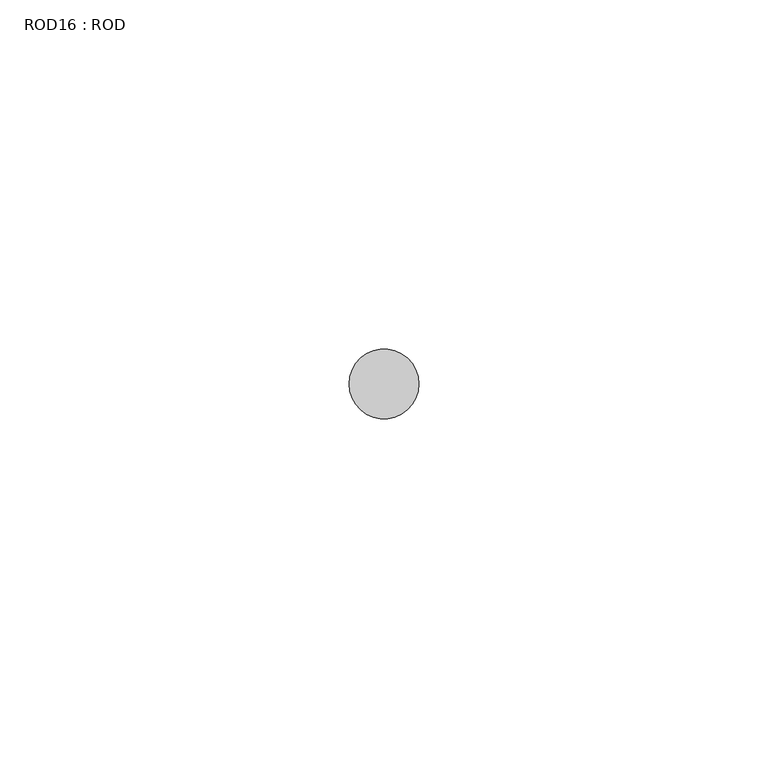
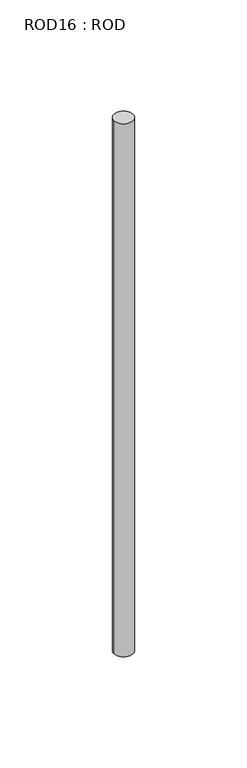
"""IFC4 building model written with IfcOpenShell, lengths in millimetres: proxy geometry, ROD16 : ROD."""

from ifc_helpers import new_model, si_unit, point, frame, frame_2d, origin, place, context, project, spatial, circle_curve, trimmed, segment, composite_curve, outline, extrude, source, transform, mapped, element, save


def rod16_rod_f53e70da(model_context):
    return source(origin(), model_context, "Body", "SweptSolid", [
        extrude(outline(composite_curve([segment(trimmed(circle_curve(frame_2d((-7067.2215616, -1114.6300853)), 5.0), [point((-7072.2215616, -1114.6300853))], [point((-7062.2215616, -1114.6300853))], False, "CARTESIAN"), True, "CONTINUOUS"), segment(trimmed(circle_curve(frame_2d((-7067.2215616, -1114.6300853)), 5.0), [point((-7062.2215616, -1114.6300853))], [point((-7072.2215616, -1114.6300853))], False, "CARTESIAN"), True, "CONTINUOUS")], self_intersect=False)), frame((0.0, 0.0, -208.6608845), z_axis=(0.0, 0.0, 1.0), x_axis=(1.0, 0.0, 0.0)), (0.0, 0.0, 1.0), 298.9028972),
    ])


if __name__ == "__main__":
    model = new_model("IFC4")
    model_context = context("Model", 3, world=origin())
    ifc_project = project(units=[si_unit("LENGTHUNIT", "METRE", prefix="MILLI")], contexts=[model_context])
    site = spatial("IfcSite", under=ifc_project)
    building = spatial("IfcBuilding", under=site)
    placement = place(None, origin())
    rod16_rod_shape = rod16_rod_f53e70da(model_context)
    element("IfcBuildingElementProxy", 1, Name="ROD16 : ROD", ObjectType="ROD16 : ROD", at=placement, inside=building, context=model_context, shape_type="MappedRepresentation", body=[
        mapped(rod16_rod_shape, transform((0.0, 0.0, 0.0), x_axis=(1.0, 0.0, 0.0), y_axis=(0.0, 1.0, 0.0), z_axis=(0.0, 0.0, 1.0))),
    ])
    save(model, "model.ifc")
